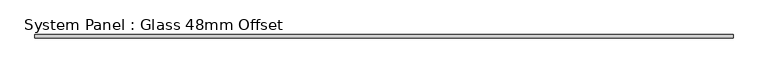
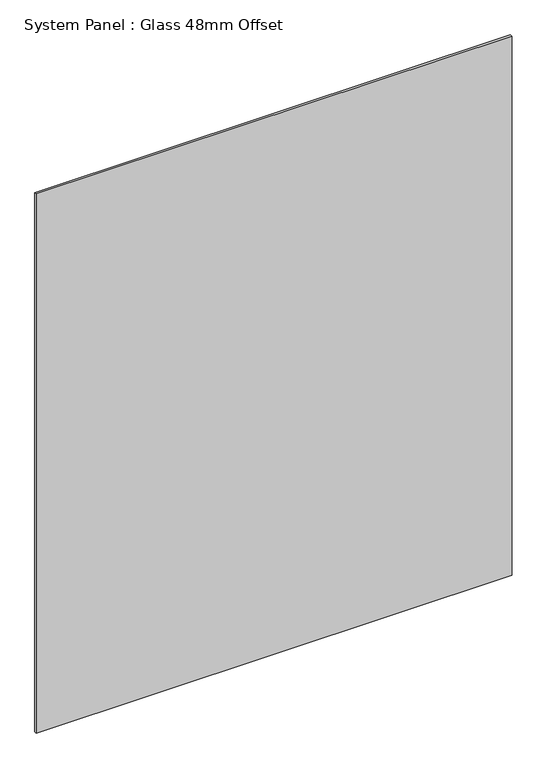
"""IFC4 building model written with IfcOpenShell, lengths in millimetres: plate geometry, System Panel : Glass 48mm Offset."""

from ifc_helpers import new_model, si_unit, origin, origin_with_axes, place, context, project, spatial, polyline, outline, extrude, source, transform, mapped, element, save


def system_panel_glass_48mm_offset_d2139621(model_context):
    return source(origin(), model_context, "Body", "SweptSolid", [
        extrude(outline(polyline([(1062.5, -53.0), (-1062.5, -53.0), (-1062.5, -43.0), (1062.5, -43.0), (1062.5, -53.0)])), origin_with_axes(), (0.0, 0.0, 1.0), 2545.0),
    ])


if __name__ == "__main__":
    model = new_model("IFC4")
    model_context = context("Model", 3, world=origin())
    ifc_project = project(units=[si_unit("LENGTHUNIT", "METRE", prefix="MILLI")], contexts=[model_context])
    site = spatial("IfcSite", under=ifc_project)
    building = spatial("IfcBuilding", under=site)
    placement = place(None, origin())
    system_panel_glass_48mm_offset_shape = system_panel_glass_48mm_offset_d2139621(model_context)
    element("IfcPlate", 1, ObjectType="System Panel : Glass 48mm Offset", at=placement, inside=building, context=model_context, shape_type="MappedRepresentation", body=[
        mapped(system_panel_glass_48mm_offset_shape, transform((0.0, 0.0, 0.0), x_axis=(1.0, 0.0, 0.0), y_axis=(0.0, 1.0, 0.0), z_axis=(0.0, 0.0, 1.0))),
    ])
    save(model, "model.ifc")
